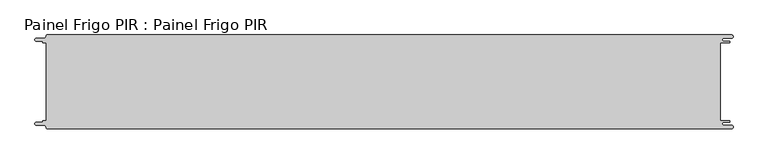
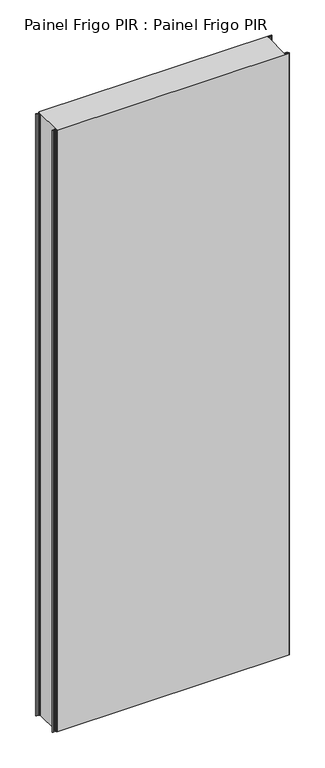
"""IFC4 building model written with IfcOpenShell, lengths in millimetres: proxy geometry, Painel Frigo PIR : Painel Frigo PIR."""

from ifc_helpers import new_model, si_unit, frame, origin, place, context, project, spatial, polyline, circle_curve, source, transform, mapped, element, save
from ifc_brep_helpers import plane_surface, cylinder_surface, revolved_surface, advanced_brep


def painel_frigo_pir_painel_frigo_pir_deee0223(model_context):
    return source(origin(), model_context, "Body", "AdvancedBrep", [
        advanced_brep(
        [(-554.5874998, 62.3, 3000.0), (-549.2999612, 62.3, 3000.0), (-549.2999612, -62.2999995, 3000.0), (-554.5874998, -62.2999995, 3000.0), (-555.1875003, -62.9, 3000.0), (-555.1875003, -63.7085185, 3000.0), (-556.5875003, -65.1085185, 3000.0), (-565.565625, -65.1085185, 3000.0), (-565.565625, -69.5085185, 3000.0), (-553.55, -69.5085185, 3000.0), (-550.0, -73.0585185, 3000.0), (-548.05, -75.0, 3000.0), (546.89375, -75.0, 3000.0), (546.89375, -69.725, 3000.0), (534.45625, -69.725, 3000.0), (534.45625, -64.875, 3000.0), (543.1187503, -64.875, 3000.0), (543.1187503, -62.3, 3000.0), (529.2687503, -62.3, 3000.0), (529.2687503, 62.3, 3000.0), (543.1187503, 62.3, 3000.0), (543.1187503, 64.875, 3000.0), (534.45625, 64.875, 3000.0), (534.45625, 69.725, 3000.0), (546.89375, 69.725, 3000.0), (546.89375, 75.0, 3000.0), (-548.05, 75.0, 3000.0), (-550.0, 73.05, 3000.0), (-553.55, 69.5085185, 3000.0), (-565.565625, 69.5085185, 3000.0), (-565.565625, 65.1085187, 3000.0), (-556.5875001, 65.1085187, 3000.0), (-555.1874998, 63.7085184, 3000.0), (-555.1874998, 62.9, 3000.0), (-554.5874998, 62.3, 0.0), (-555.1874998, 62.9, 0.0), (-555.1874998, 63.7085184, 0.0), (-556.5875001, 65.1085187, 0.0), (-565.565625, 65.1085187, 0.0), (-565.565625, 69.5085185, 0.0), (-553.55, 69.5085185, 0.0), (-550.0, 73.0585185, 0.0), (-548.05, 75.0, 0.0), (546.89375, 75.0, 0.0), (546.89375, 69.725, 0.0), (534.45625, 69.725, 0.0), (534.45625, 64.875, 0.0), (543.1187503, 64.875, 0.0), (543.1187503, 62.3, 0.0), (529.2687503, 62.3, 0.0), (529.2687503, -62.3, 0.0), (543.1187503, -62.3, 0.0), (543.1187503, -64.875, 0.0), (534.45625, -64.875, 0.0), (534.45625, -69.725, 0.0), (546.89375, -69.725, 0.0), (546.89375, -75.0, 0.0), (-548.05, -75.0, 0.0), (-550.0, -73.05, 0.0), (-553.55, -69.5085185, 0.0), (-565.565625, -69.5085185, 0.0), (-565.565625, -65.1085185, 0.0), (-556.5875003, -65.1085185, 0.0), (-555.1875003, -63.7085185, 0.0), (-555.1875003, -62.9, 0.0), (-554.5874998, -62.2999995, 0.0), (-549.2999612, -62.2999995, 0.0), (-549.2999612, 62.3, 0.0)],
        [
            (0, 1),
            (1, 2),
            (2, 3),
            (3, 4, circle_curve(frame((-554.5874998, -62.9, 3000.0), z_axis=(0.0, 0.0, 1.0), x_axis=(1.0, 0.0, 0.0)), 0.6000005)),
            (4, 5),
            (5, 6, circle_curve(frame((-556.5875003, -63.7085185, 3000.0), z_axis=(0.0, 0.0, -1.0), x_axis=(1.0, 0.0, 0.0)), 1.4)),
            (6, 7),
            (7, 8, circle_curve(frame((-565.565625, -67.3085185, 3000.0), z_axis=(0.0, 0.0, 1.0), x_axis=(1.0, 0.0, 0.0)), 2.2)),
            (8, 9),
            (9, 10, circle_curve(frame((-553.55, -73.0585185, 3000.0), z_axis=(0.0, 0.0, -1.0), x_axis=(1.0, 0.0, 0.0)), 3.55)),
            (10, 11, circle_curve(frame((-548.05, -73.05, 3000.0), z_axis=(0.0, 0.0, 1.0), x_axis=(1.0, 0.0, 0.0)), 1.95)),
            (11, 12),
            (12, 13, circle_curve(frame((546.89375, -72.3625, 3000.0), z_axis=(0.0, 0.0, 1.0), x_axis=(1.0, 0.0, 0.0)), 2.6375)),
            (13, 14),
            (14, 15, circle_curve(frame((534.45625, -67.3, 3000.0), z_axis=(0.0, 0.0, -1.0), x_axis=(1.0, 0.0, 0.0)), 2.425)),
            (15, 16),
            (16, 17, circle_curve(frame((543.1187503, -63.5875, 3000.0), z_axis=(0.0, 0.0, 1.0), x_axis=(1.0, 0.0, 0.0)), 1.2875)),
            (17, 18),
            (18, 19),
            (19, 20),
            (20, 21, circle_curve(frame((543.1187503, 63.5875, 3000.0), z_axis=(0.0, 0.0, 1.0), x_axis=(1.0, 0.0, 0.0)), 1.2875)),
            (21, 22),
            (22, 23, circle_curve(frame((534.45625, 67.3, 3000.0), z_axis=(0.0, 0.0, -1.0), x_axis=(1.0, 0.0, 0.0)), 2.425)),
            (23, 24),
            (24, 25, circle_curve(frame((546.89375, 72.3625, 3000.0), z_axis=(0.0, 0.0, 1.0), x_axis=(1.0, 0.0, 0.0)), 2.6375)),
            (25, 26),
            (26, 27, circle_curve(frame((-548.05, 73.05, 3000.0), z_axis=(0.0, 0.0, 1.0), x_axis=(1.0, 0.0, 0.0)), 1.95)),
            (27, 28, circle_curve(frame((-553.55, 73.0585185, 3000.0), z_axis=(0.0, 0.0, -1.0), x_axis=(1.0, 0.0, 0.0)), 3.55)),
            (28, 29),
            (29, 30, circle_curve(frame((-565.565625, 67.3085186, 3000.0), z_axis=(0.0, 0.0, 1.0), x_axis=(1.0, 0.0, 0.0)), 2.1999999)),
            (30, 31),
            (31, 32, circle_curve(frame((-556.5875001, 63.7085184, 3000.0), z_axis=(0.0, 0.0, -1.0), x_axis=(1.0, 0.0, 0.0)), 1.4000003)),
            (32, 33),
            (33, 0, circle_curve(frame((-554.5874998, 62.9, 3000.0), z_axis=(0.0, 0.0, 1.0), x_axis=(1.0, 0.0, 0.0)), 0.6)),
            (34, 35, circle_curve(frame((-554.5874998, 62.9, 0.0), z_axis=(0.0, 0.0, -1.0), x_axis=(1.0, 0.0, 0.0)), 0.6)),
            (35, 36),
            (36, 37, circle_curve(frame((-556.5875001, 63.7085184, 0.0), z_axis=(0.0, 0.0, 1.0), x_axis=(1.0, 0.0, 0.0)), 1.4000003)),
            (37, 38),
            (38, 39, circle_curve(frame((-565.565625, 67.3085186, 0.0), z_axis=(0.0, 0.0, -1.0), x_axis=(1.0, 0.0, 0.0)), 2.1999999)),
            (39, 40),
            (40, 41, circle_curve(frame((-553.55, 73.0585185, 0.0), z_axis=(0.0, 0.0, 1.0), x_axis=(1.0, 0.0, 0.0)), 3.55)),
            (41, 42, circle_curve(frame((-548.05, 73.05, 0.0), z_axis=(0.0, 0.0, -1.0), x_axis=(1.0, 0.0, 0.0)), 1.95)),
            (42, 43),
            (43, 44, circle_curve(frame((546.89375, 72.3625, 0.0), z_axis=(0.0, 0.0, -1.0), x_axis=(1.0, 0.0, 0.0)), 2.6375)),
            (44, 45),
            (45, 46, circle_curve(frame((534.45625, 67.3, 0.0), z_axis=(0.0, 0.0, 1.0), x_axis=(1.0, 0.0, 0.0)), 2.425)),
            (46, 47),
            (47, 48, circle_curve(frame((543.1187503, 63.5875, 0.0), z_axis=(0.0, 0.0, -1.0), x_axis=(1.0, 0.0, 0.0)), 1.2875)),
            (48, 49),
            (49, 50),
            (50, 51),
            (51, 52, circle_curve(frame((543.1187503, -63.5875, 0.0), z_axis=(0.0, 0.0, -1.0), x_axis=(1.0, 0.0, 0.0)), 1.2875)),
            (52, 53),
            (53, 54, circle_curve(frame((534.45625, -67.3, 0.0), z_axis=(0.0, 0.0, 1.0), x_axis=(1.0, 0.0, 0.0)), 2.425)),
            (54, 55),
            (55, 56, circle_curve(frame((546.89375, -72.3625, 0.0), z_axis=(0.0, 0.0, -1.0), x_axis=(1.0, 0.0, 0.0)), 2.6375)),
            (56, 57),
            (57, 58, circle_curve(frame((-548.05, -73.05, 0.0), z_axis=(0.0, 0.0, -1.0), x_axis=(1.0, 0.0, 0.0)), 1.95)),
            (58, 59, circle_curve(frame((-553.55, -73.0585185, 0.0), z_axis=(0.0, 0.0, 1.0), x_axis=(1.0, 0.0, 0.0)), 3.55)),
            (59, 60),
            (60, 61, circle_curve(frame((-565.565625, -67.3085185, 0.0), z_axis=(0.0, 0.0, -1.0), x_axis=(1.0, 0.0, 0.0)), 2.2)),
            (61, 62),
            (62, 63, circle_curve(frame((-556.5875003, -63.7085185, 0.0), z_axis=(0.0, 0.0, 1.0), x_axis=(1.0, 0.0, 0.0)), 1.4)),
            (63, 64),
            (64, 65, circle_curve(frame((-554.5874998, -62.9, 0.0), z_axis=(0.0, 0.0, -1.0), x_axis=(1.0, 0.0, 0.0)), 0.6000005)),
            (65, 66),
            (66, 67),
            (67, 34),
            (0, 34),
            (67, 1),
            (66, 2),
            (65, 3),
            (64, 4),
            (63, 5),
            (62, 6),
            (61, 7),
            (60, 8),
            (59, 9),
            (58, 10),
            (57, 11),
            (56, 12),
            (18, 50),
            (49, 19),
            (48, 20),
            (47, 21),
            (46, 22),
            (45, 23),
            (44, 24),
            (43, 25),
            (42, 26),
            (41, 27),
            (40, 28),
            (39, 29),
            (38, 30),
            (37, 31),
            (36, 32),
            (35, 33),
            (55, 13),
            (54, 14),
            (53, 15),
            (52, 16),
            (51, 17),
        ],
        [
            plane_surface(frame((-549.2999612, 62.3, 3000.0), z_axis=(0.0, 0.0, 1.0), x_axis=(1.0, 0.0, 0.0))),
            plane_surface(frame((-549.2999612, 62.3, 0.0), z_axis=(0.0, 0.0, -1.0), x_axis=(-1.0, 0.0, 0.0))),
            plane_surface(frame((-554.5874998, 62.3, 3000.0), z_axis=(0.0, -1.0, 0.0), x_axis=(0.0, 0.0, -1.0))),
            plane_surface(frame((-549.2999612, 62.3, 3000.0), z_axis=(-1.0, 0.0, 0.0), x_axis=(0.0, 0.0, -1.0))),
            plane_surface(frame((-549.2999612, -62.2999995, 3000.0), z_axis=(0.0, 1.0, 0.0), x_axis=(0.0, 0.0, -1.0))),
            cylinder_surface(frame((-554.5874998, -62.9, 0.0), z_axis=(0.0, 0.0, 1.0), x_axis=(1.0, 0.0, 0.0)), 0.6000005),
            plane_surface(frame((-555.1875003, -62.9, 3000.0), z_axis=(-1.0, 1.7578608662329888e-12, 0.0), x_axis=(0.0, 0.0, -1.0))),
            revolved_surface(polyline([(-555.1875003, -63.7085185, 0.0), (-555.1875003, -63.7085185, 3000.0)]), (-556.5875003, -63.7085185, 0.0), (0.0, 0.0, -1.0)),
            plane_surface(frame((-556.5875003, -65.1085185, 3000.0), z_axis=(0.0, 1.0, 0.0), x_axis=(0.0, 0.0, -1.0))),
            cylinder_surface(frame((-565.565625, -67.3085185, 0.0), z_axis=(0.0, 0.0, 1.0), x_axis=(1.0, 0.0, 0.0)), 2.2),
            plane_surface(frame((-565.565625, -69.5085185, 3000.0), z_axis=(0.0, -1.0, 0.0), x_axis=(0.0, 0.0, -1.0))),
            revolved_surface(polyline([(-550.0, -73.0585185, 0.0), (-550.0, -73.0585185, 3000.0)]), (-553.55, -73.0585185, 0.0), (0.0, 0.0, -1.0)),
            cylinder_surface(frame((-548.05, -73.05, 0.0), z_axis=(0.0, 0.0, 1.0), x_axis=(1.0, 0.0, 0.0)), 1.95),
            plane_surface(frame((-548.05, -75.0, 3000.0), z_axis=(0.0, -1.0, 0.0), x_axis=(0.0, 0.0, -1.0))),
            plane_surface(frame((529.2687503, -62.3, 3000.0), z_axis=(1.0, 0.0, 0.0), x_axis=(0.0, 0.0, -1.0))),
            plane_surface(frame((529.2687503, 62.3, 3000.0), z_axis=(0.0, -1.0, 0.0), x_axis=(0.0, 0.0, -1.0))),
            cylinder_surface(frame((543.1187503, 63.5875, 0.0), z_axis=(0.0, 0.0, 1.0), x_axis=(1.0, 0.0, 0.0)), 1.2875),
            plane_surface(frame((543.1187503, 64.875, 3000.0), z_axis=(0.0, 1.0, 0.0), x_axis=(0.0, 0.0, -1.0))),
            revolved_surface(polyline([(536.8812499999999, 67.3, 0.0), (536.8812499999999, 67.3, 3000.0)]), (534.45625, 67.3, 0.0), (0.0, 0.0, -1.0)),
            plane_surface(frame((534.45625, 69.725, 3000.0), z_axis=(0.0, -1.0, 0.0), x_axis=(0.0, 0.0, -1.0))),
            cylinder_surface(frame((546.89375, 72.3625, 0.0), z_axis=(0.0, 0.0, 1.0), x_axis=(1.0, 0.0, 0.0)), 2.6375),
            plane_surface(frame((546.89375, 75.0, 3000.0), z_axis=(0.0, 1.0, 0.0), x_axis=(0.0, 0.0, -1.0))),
            cylinder_surface(frame((-548.05, 73.05, 0.0), z_axis=(0.0, 0.0, 1.0), x_axis=(1.0, 0.0, 0.0)), 1.95),
            revolved_surface(polyline([(-550.0, 73.0585185, 0.0), (-550.0, 73.0585185, 3000.0)]), (-553.55, 73.0585185, 0.0), (0.0, 0.0, -1.0)),
            plane_surface(frame((-553.55, 69.5085185, 3000.0), z_axis=(0.0, 1.0, 0.0), x_axis=(0.0, 0.0, -1.0))),
            cylinder_surface(frame((-565.565625, 67.3085186, 0.0), z_axis=(0.0, 0.0, 1.0), x_axis=(1.0, 0.0, 0.0)), 2.1999999),
            plane_surface(frame((-565.565625, 65.1085187, 3000.0), z_axis=(0.0, -1.0, 0.0), x_axis=(0.0, 0.0, -1.0))),
            revolved_surface(polyline([(-555.1874998000001, 63.7085184, 0.0), (-555.1874998000001, 63.7085184, 3000.0)]), (-556.5875001, 63.7085184, 0.0), (0.0, 0.0, -1.0)),
            plane_surface(frame((-555.1874998, 63.7085184, 3000.0), z_axis=(-1.0, 0.0, 0.0), x_axis=(0.0, 0.0, -1.0))),
            cylinder_surface(frame((-554.5874998, 62.9, 0.0), z_axis=(0.0, 0.0, 1.0), x_axis=(1.0, 0.0, 0.0)), 0.6),
            cylinder_surface(frame((546.89375, -72.3625, 0.0), z_axis=(0.0, 0.0, 1.0), x_axis=(1.0, 0.0, 0.0)), 2.6375),
            plane_surface(frame((546.89375, -69.725, 3000.0), z_axis=(0.0, 1.0, 0.0), x_axis=(0.0, 0.0, -1.0))),
            revolved_surface(polyline([(536.8812499999999, -67.3, 0.0), (536.8812499999999, -67.3, 3000.0)]), (534.45625, -67.3, 0.0), (0.0, 0.0, -1.0)),
            plane_surface(frame((534.45625, -64.875, 3000.0), z_axis=(0.0, -1.0, 0.0), x_axis=(0.0, 0.0, -1.0))),
            cylinder_surface(frame((543.1187503, -63.5875, 0.0), z_axis=(0.0, 0.0, 1.0), x_axis=(1.0, 0.0, 0.0)), 1.2875),
            plane_surface(frame((543.1187503, -62.3, 3000.0), z_axis=(0.0, 1.0, 0.0), x_axis=(0.0, 0.0, -1.0))),
        ],
        [
            (0, [[1, 2, 3, 4, 5, 6, 7, 8, 9, 10, 11, 12, 13, 14, 15, 16, 17, 18, 19, 20, 21, 22, 23, 24, 25, 26, 27, 28, 29, 30, 31, 32, 33, 34]]),
            (1, [[35, 36, 37, 38, 39, 40, 41, 42, 43, 44, 45, 46, 47, 48, 49, 50, 51, 52, 53, 54, 55, 56, 57, 58, 59, 60, 61, 62, 63, 64, 65, 66, 67, 68]]),
            (2, [[-1, 69, -68, 70]]),
            (3, [[-2, -70, -67, 71]]),
            (4, [[-3, -71, -66, 72]]),
            (5, [[-4, -72, -65, 73]]),
            (6, [[-5, -73, -64, 74]]),
            (7, [[-6, -74, -63, 75]]),
            (8, [[-7, -75, -62, 76]]),
            (9, [[-8, -76, -61, 77]]),
            (10, [[-9, -77, -60, 78]]),
            (11, [[-10, -78, -59, 79]]),
            (12, [[-11, -79, -58, 80]]),
            (13, [[-12, -80, -57, 81]]),
            (14, [[-19, 82, -50, 83]]),
            (15, [[-20, -83, -49, 84]]),
            (16, [[-21, -84, -48, 85]]),
            (17, [[-22, -85, -47, 86]]),
            (18, [[-23, -86, -46, 87]]),
            (19, [[-24, -87, -45, 88]]),
            (20, [[-25, -88, -44, 89]]),
            (21, [[-26, -89, -43, 90]]),
            (22, [[-27, -90, -42, 91]]),
            (23, [[-28, -91, -41, 92]]),
            (24, [[-29, -92, -40, 93]]),
            (25, [[-30, -93, -39, 94]]),
            (26, [[-31, -94, -38, 95]]),
            (27, [[-32, -95, -37, 96]]),
            (28, [[-33, -96, -36, 97]]),
            (29, [[-34, -97, -35, -69]]),
            (30, [[-13, -81, -56, 98]]),
            (31, [[-14, -98, -55, 99]]),
            (32, [[-15, -99, -54, 100]]),
            (33, [[-16, -100, -53, 101]]),
            (34, [[-17, -101, -52, 102]]),
            (35, [[-18, -102, -51, -82]]),
        ],
    ),
    ])


if __name__ == "__main__":
    model = new_model("IFC4")
    model_context = context("Model", 3, world=origin())
    ifc_project = project(units=[si_unit("LENGTHUNIT", "METRE", prefix="MILLI")], contexts=[model_context])
    site = spatial("IfcSite", under=ifc_project)
    building = spatial("IfcBuilding", under=site)
    placement = place(None, origin())
    painel_frigo_pir_painel_frigo_pir_shape = painel_frigo_pir_painel_frigo_pir_deee0223(model_context)
    element("IfcBuildingElementProxy", 1, Name="Painel Frigo PIR : Painel Frigo PIR", ObjectType="Painel Frigo PIR : Painel Frigo PIR", at=placement, inside=building, context=model_context, shape_type="MappedRepresentation", body=[
        mapped(painel_frigo_pir_painel_frigo_pir_shape, transform((0.0, 0.0, 0.0), x_axis=(1.0, 0.0, 0.0), y_axis=(0.0, 1.0, 0.0), z_axis=(0.0, 0.0, 1.0))),
    ])
    save(model, "model.ifc")
